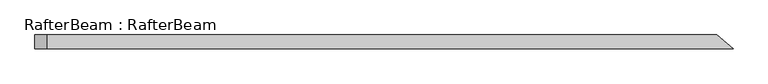
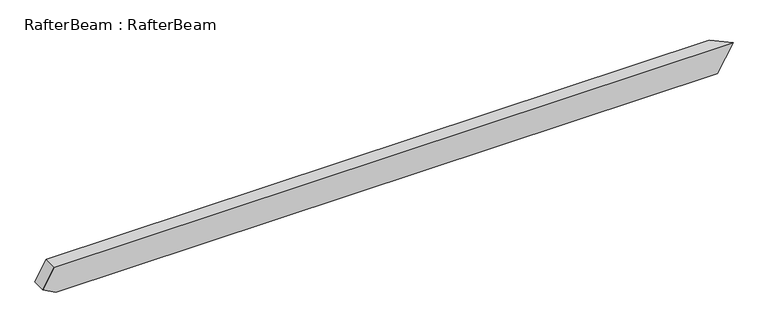
"""IFC4 building model written with IfcOpenShell, lengths in millimetres: beam geometry, RafterBeam : RafterBeam."""

from ifc_helpers import new_model, si_unit, origin, place, context, project, spatial, faceted_brep, source, transform, mapped, element, save


def rafterbeam_rafterbeam_40513bce(model_context):
    return source(origin(), model_context, "Body", "Brep", [
        faceted_brep([(1977.3527026, -40.0, 80.0), (1884.122524, 40.0, 80.0), (-1996.0573398, 40.0, 80.0), (-1996.0573398, -40.0, 80.0), (1791.7464809, 40.0, -80.0), (1884.9766595, -40.0, -80.0), (-1988.4333828, -40.0, -80.0), (-1988.4333828, 40.0, -80.0), (-2063.4333828, 40.0, -36.6987298), (-2063.4333828, -40.0, -36.6987298)], [[[0, 1, 2, 3]], [[4, 5, 6, 7]], [[1, 4, 7, 8, 2]], [[5, 0, 3, 9, 6]], [[0, 5, 4, 1]], [[3, 2, 8, 9]], [[7, 6, 9, 8]]]),
    ])


if __name__ == "__main__":
    model = new_model("IFC4")
    model_context = context("Model", 3, world=origin())
    ifc_project = project(units=[si_unit("LENGTHUNIT", "METRE", prefix="MILLI")], contexts=[model_context])
    site = spatial("IfcSite", under=ifc_project)
    building = spatial("IfcBuilding", under=site)
    placement = place(None, origin())
    rafterbeam_rafterbeam_shape = rafterbeam_rafterbeam_40513bce(model_context)
    element("IfcBeam", 1, ObjectType="RafterBeam : RafterBeam", at=placement, inside=building, context=model_context, shape_type="MappedRepresentation", body=[
        mapped(rafterbeam_rafterbeam_shape, transform((0.0, 0.0, 0.0), x_axis=(1.0, 0.0, 0.0), y_axis=(0.0, 1.0, 0.0), z_axis=(0.0, 0.0, 1.0))),
    ])
    save(model, "model.ifc")
